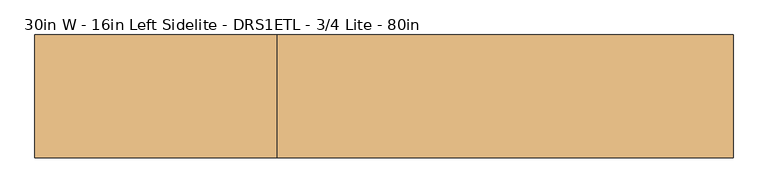
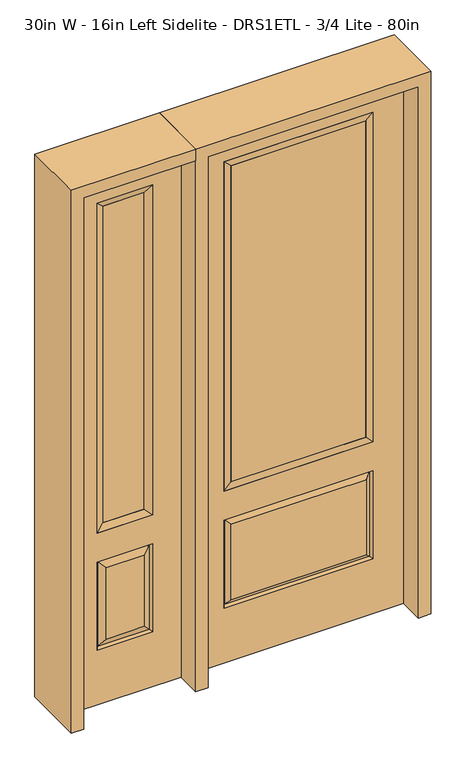
"""IFC4 building model written with IfcOpenShell, lengths in millimetres: door geometry, 30in W - 16in Left Sidelite - DRS1ETL - 3/4 Lite - 80in."""

from ifc_helpers import new_model, si_unit, frame, origin, place, context, project, spatial, polyline, outline, extrude, faceted_brep, source, transform, mapped, element, save


def door_30in_w_16in_left_sidelite_drs1etl_3_4_lite_80in_2695993e(model_context):
    return source(origin(), model_context, "Body", "SolidModel", [
        faceted_brep([(-831.85, -22.225, 0.0), (-425.45, -22.225, 0.0), (-425.45, -22.225, 2032.0), (-831.85, -22.225, 2032.0), (-528.32, -22.225, 1919.224), (-528.32, -22.225, 657.098), (-728.98, -22.225, 657.098), (-728.98, -22.225, 1919.224), (-528.32, -22.225, 209.55), (-728.98, -22.225, 209.55), (-728.98, -22.225, 546.1), (-528.32, -22.225, 546.1), (-697.2648999, -22.225, 241.2651001), (-560.0351001, -22.225, 241.2651001), (-560.0351001, -22.225, 514.3848999), (-697.2648999, -22.225, 514.3848999), (-831.85, 22.225, 0.0), (-831.85, 22.225, 2032.0), (-425.45, 22.225, 2032.0), (-425.45, 22.225, 0.0), (-528.32, 22.225, 1919.224), (-728.98, 22.225, 1919.224), (-728.98, 22.225, 657.098), (-528.32, 22.225, 657.098), (-728.98, 22.225, 209.55), (-528.32, 22.225, 209.55), (-528.32, 22.225, 546.1), (-728.98, 22.225, 546.1), (-560.0351001, 22.225, 241.2651001), (-697.2648999, 22.225, 241.2651001), (-697.2648999, 22.225, 514.3848999), (-560.0351001, 22.225, 514.3848999), (-535.4288501, 12.7912373, 216.6588501), (-721.8711499, 12.7912373, 216.6588501), (-721.8711499, 12.7912373, 538.9911499), (-535.4288501, 12.7912373, 538.9911499), (-721.8711499, -12.7912373, 216.6588501), (-535.4288501, -12.7912373, 216.6588501), (-721.8711499, -12.7912373, 538.9911499), (-535.4288501, -12.7912373, 538.9911499)], [[[0, 1, 2, 3], [4, 5, 6, 7], [8, 9, 10, 11]], [[12, 13, 14, 15]], [[16, 17, 18, 19], [20, 21, 22, 23], [24, 25, 26, 27]], [[28, 29, 30, 31]], [[1, 0, 16, 19]], [[2, 1, 19, 18]], [[3, 2, 18, 17]], [[0, 3, 17, 16]], [[5, 4, 20, 23]], [[6, 5, 23, 22]], [[7, 6, 22, 21]], [[4, 7, 21, 20]], [[32, 33, 29, 28]], [[33, 32, 25, 24]], [[29, 33, 34, 30]], [[33, 24, 27, 34]], [[30, 34, 35, 31]], [[34, 27, 26, 35]], [[32, 28, 31, 35]], [[25, 32, 35, 26]], [[12, 36, 37, 13]], [[37, 36, 9, 8]], [[36, 12, 15, 38]], [[9, 36, 38, 10]], [[38, 15, 14, 39]], [[10, 38, 39, 11]], [[13, 37, 39, 14]], [[37, 8, 11, 39]]]),
        faceted_brep([(-728.98, 22.225, 1919.224), (-728.98, -22.225, 1919.224), (-528.32, -22.225, 1919.224), (-528.32, 22.225, 1919.224), (-703.58, 12.7, 1893.824), (-553.72, 12.7, 1893.824), (-703.58, -12.7, 1893.824), (-553.72, -12.7, 1893.824), (-528.32, -22.225, 657.098), (-528.32, 22.225, 657.098), (-553.72, 12.7, 682.498), (-553.72, -12.7, 682.498), (-728.98, -22.225, 657.098), (-728.98, 22.225, 657.098), (-703.58, 12.7, 682.498), (-703.58, -12.7, 682.498)], [[[0, 1, 2, 3]], [[4, 0, 3, 5]], [[6, 4, 5, 7]], [[1, 6, 7, 2]], [[3, 2, 8, 9]], [[5, 3, 9, 10]], [[7, 5, 10, 11]], [[2, 7, 11, 8]], [[9, 8, 12, 13]], [[10, 9, 13, 14]], [[11, 10, 14, 15]], [[8, 11, 15, 12]], [[13, 12, 1, 0]], [[14, 13, 0, 4]], [[15, 14, 4, 6]], [[12, 15, 6, 1]]]),
        extrude(outline(polyline([(-553.72, -12.7), (-703.58, -12.7), (-703.58, 12.7), (-553.72, 12.7), (-553.72, -12.7)])), frame((0.0, 0.0, 682.498), z_axis=(0.0, 0.0, 1.0), x_axis=(1.0, 0.0, 0.0)), (0.0, 0.0, 1.0), 1211.326),
        faceted_brep([(-262.7661499, -12.7912373, 216.6588501), (262.7661499, -12.7912373, 216.6588501), (245.26875, -22.225, 234.15625), (-245.26875, -22.225, 234.15625), (-269.875, -22.225, 209.55), (269.875, -22.225, 209.55), (-262.7661499, -12.7912373, 538.9911499), (-269.875, -22.225, 546.1), (245.26875, -22.225, 521.49375), (-245.26875, -22.225, 521.49375), (381.0, -22.225, 2032.0), (-381.0, -22.225, 2032.0), (-381.0, -22.225, 0.0), (381.0, -22.225, 0.0), (269.875, -22.225, 546.1), (269.875, -22.225, 1917.7), (269.875, -22.225, 657.098), (-269.875, -22.225, 657.098), (-269.875, -22.225, 1917.7), (262.7661499, -12.7912373, 538.9911499), (-381.0, 22.225, 2032.0), (-381.0, 22.225, 0.0), (381.0, 22.225, 0.0), (381.0, 22.225, 2032.0), (269.875, 22.225, 1917.7), (269.875, 22.225, 657.098), (-269.875, 22.225, 657.098), (-269.875, 22.225, 1917.7), (-269.875, 22.225, 209.55), (269.875, 22.225, 209.55), (269.875, 22.225, 546.1), (-269.875, 22.225, 546.1), (245.26875, 22.225, 234.15625), (-245.26875, 22.225, 234.15625), (-245.26875, 22.225, 521.49375), (245.26875, 22.225, 521.49375), (-262.7661499, 12.7912373, 216.6588501), (262.7661499, 12.7912373, 216.6588501), (262.7661499, 12.7912373, 538.9911499), (-262.7661499, 12.7912373, 538.9911499)], [[[0, 1, 2, 3]], [[1, 0, 4, 5]], [[4, 0, 6, 7]], [[3, 2, 8, 9]], [[10, 11, 12, 13], [5, 4, 7, 14], [15, 16, 17, 18]], [[1, 5, 14, 19]], [[2, 1, 19, 8]], [[0, 3, 9, 6]], [[7, 6, 19, 14]], [[6, 9, 8, 19]], [[12, 11, 20, 21]], [[13, 12, 21, 22]], [[10, 13, 22, 23]], [[16, 15, 24, 25]], [[17, 16, 25, 26]], [[18, 17, 26, 27]], [[23, 22, 21, 20], [28, 29, 30, 31], [24, 27, 26, 25]], [[32, 33, 34, 35]], [[28, 36, 37, 29]], [[29, 37, 38, 30]], [[39, 31, 30, 38]], [[36, 28, 31, 39]], [[37, 36, 33, 32]], [[33, 36, 39, 34]], [[34, 39, 38, 35]], [[37, 32, 35, 38]], [[11, 10, 23, 20]], [[15, 18, 27, 24]]]),
        faceted_brep([(-269.875, -22.225, 1917.7), (-269.875, 22.225, 1917.7), (-269.875, 22.225, 657.098), (-269.875, -22.225, 657.098), (269.875, 22.225, 657.098), (269.875, -22.225, 657.098), (-244.475, 5.08, 682.498), (244.475, 5.08, 682.498), (269.875, 22.225, 1917.7), (269.875, -22.225, 1917.7), (-244.475, -20.32, 682.498), (244.475, -20.32, 682.498), (-244.475, -20.32, 1892.3), (244.475, -20.32, 1892.3), (-244.475, 5.08, 1892.3), (244.475, 5.08, 1892.3)], [[[0, 1, 2, 3]], [[3, 2, 4, 5]], [[2, 6, 7, 4]], [[5, 4, 8, 9]], [[10, 3, 5, 11]], [[12, 0, 3, 10]], [[11, 5, 9, 13]], [[6, 10, 11, 7]], [[14, 12, 10, 6]], [[7, 11, 13, 15]], [[1, 14, 6, 2]], [[4, 7, 15, 8]], [[9, 8, 1, 0]], [[13, 9, 0, 12]], [[15, 13, 12, 14]], [[8, 15, 14, 1]]]),
        extrude(outline(polyline([(244.475, -20.32), (-244.475, -20.32), (-244.475, 5.08), (244.475, 5.08), (244.475, -20.32)])), frame((0.0, 0.0, 682.498), z_axis=(0.0, 0.0, 1.0), x_axis=(1.0, 0.0, 0.0)), (0.0, 0.0, 1.0), 1209.802),
        extrude(outline(polyline([(2032.0, -425.45), (2076.45, -425.45), (2076.45, -876.3), (0.0, -876.3), (0.0, -831.85), (2032.0, -831.85), (2032.0, -425.45)])), frame((0.0, -114.3, 0.0), z_axis=(0.0, 1.0, 0.0), x_axis=(0.0, 0.0, 1.0)), (0.0, 0.0, 1.0), 228.6),
        extrude(outline(polyline([(2076.45, -425.45), (0.0, -425.45), (0.0, -381.0), (2032.0, -381.0), (2032.0, 381.0), (0.0, 381.0), (0.0, 425.45), (2076.45, 425.45), (2076.45, -425.45)])), frame((0.0, -114.3, 0.0), z_axis=(0.0, 1.0, 0.0), x_axis=(0.0, 0.0, 1.0)), (0.0, 0.0, 1.0), 228.6),
    ])


if __name__ == "__main__":
    model = new_model("IFC4")
    model_context = context("Model", 3, world=origin())
    ifc_project = project(units=[si_unit("LENGTHUNIT", "METRE", prefix="MILLI")], contexts=[model_context])
    site = spatial("IfcSite", under=ifc_project)
    building = spatial("IfcBuilding", under=site)
    placement = place(None, origin())
    door_30in_w_16in_left_sidelite_drs1etl_3_4_lite_80in_shape = door_30in_w_16in_left_sidelite_drs1etl_3_4_lite_80in_2695993e(model_context)
    element("IfcDoor", 1, ObjectType="30in W - 16in Left Sidelite - DRS1ETL - 3/4 Lite - 80in", at=placement, inside=building, context=model_context, shape_type="MappedRepresentation", body=[
        mapped(door_30in_w_16in_left_sidelite_drs1etl_3_4_lite_80in_shape, transform((0.0, 0.0, 0.0), x_axis=(1.0, 0.0, 0.0), y_axis=(0.0, 1.0, 0.0), z_axis=(0.0, 0.0, 1.0))),
    ])
    save(model, "model.ifc")
